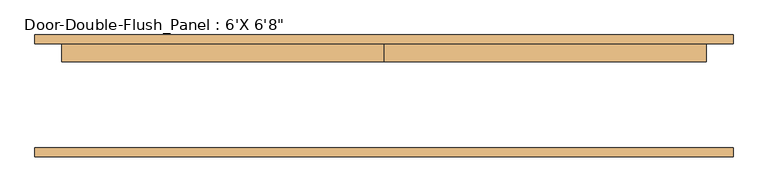
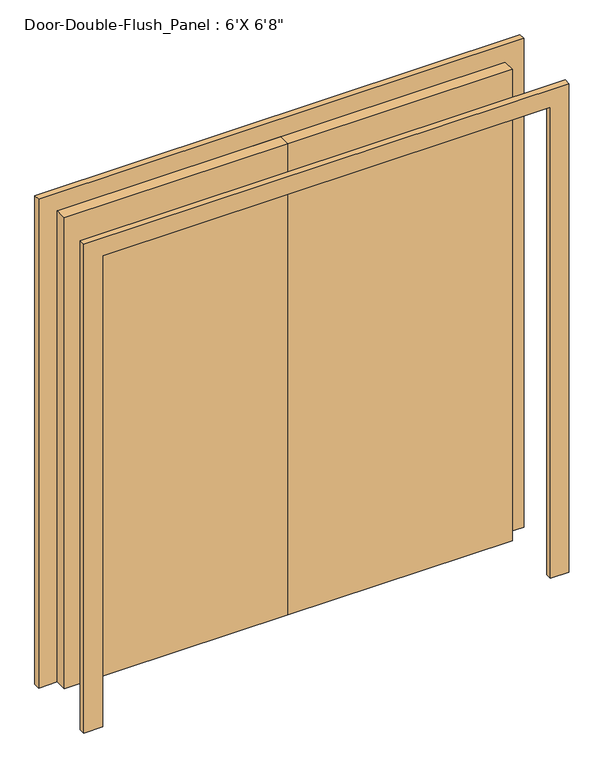
"""IFC4 building model written with IfcOpenShell, lengths in millimetres: door geometry."""

from ifc_helpers import new_model, si_unit, frame, origin, origin_with_axes, place, context, project, spatial, polyline, outline, extrude, source, transform, mapped, element, save


def door_1c92b5af(model_context):
    return source(origin(), model_context, "Body", "SweptSolid", [
        extrude(outline(polyline([(2032.0, -914.4), (2032.0, 914.4), (0.0, 914.4), (0.0, 990.6), (2108.2, 990.6), (2108.2, -990.6), (0.0, -990.6), (0.0, -914.4), (2032.0, -914.4)])), frame((0.0, -173.0375, 0.0), z_axis=(0.0, 1.0, 0.0), x_axis=(0.0, 0.0, 1.0)), (0.0, 0.0, 1.0), 25.4),
        extrude(outline(polyline([(2032.0, -914.4), (2032.0, 914.4), (0.0, 914.4), (0.0, 990.6), (2108.2, 990.6), (2108.2, -990.6), (0.0, -990.6), (0.0, -914.4), (2032.0, -914.4)])), frame((0.0, 147.6375, 0.0), z_axis=(0.0, 1.0, 0.0), x_axis=(0.0, 0.0, 1.0)), (0.0, 0.0, 1.0), 25.4),
        extrude(outline(polyline([(0.0, 147.6375), (914.4, 147.6375), (914.4, 96.8375), (0.0, 96.8375), (0.0, 147.6375)])), origin_with_axes(), (0.0, 0.0, 1.0), 2032.0),
        extrude(outline(polyline([(-914.4, 147.6375), (0.0, 147.6375), (0.0, 96.8375), (-914.4, 96.8375), (-914.4, 147.6375)])), origin_with_axes(), (0.0, 0.0, 1.0), 2032.0),
    ])


if __name__ == "__main__":
    model = new_model("IFC4")
    model_context = context("Model", 3, world=origin())
    ifc_project = project(units=[si_unit("LENGTHUNIT", "METRE", prefix="MILLI")], contexts=[model_context])
    site = spatial("IfcSite", under=ifc_project)
    building = spatial("IfcBuilding", under=site)
    placement = place(None, origin())
    door_shape = door_1c92b5af(model_context)
    element("IfcDoor", 1, ObjectType="Door-Double-Flush_Panel : 6'X 6'8\"", at=placement, inside=building, context=model_context, shape_type="MappedRepresentation", body=[
        mapped(door_shape, transform((0.0, 0.0, 0.0), x_axis=(1.0, 0.0, 0.0), y_axis=(0.0, 1.0, 0.0), z_axis=(0.0, 0.0, 1.0))),
    ])
    save(model, "model.ifc")
